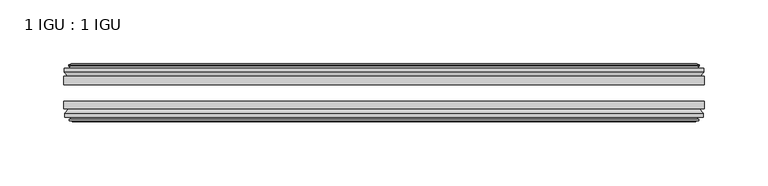
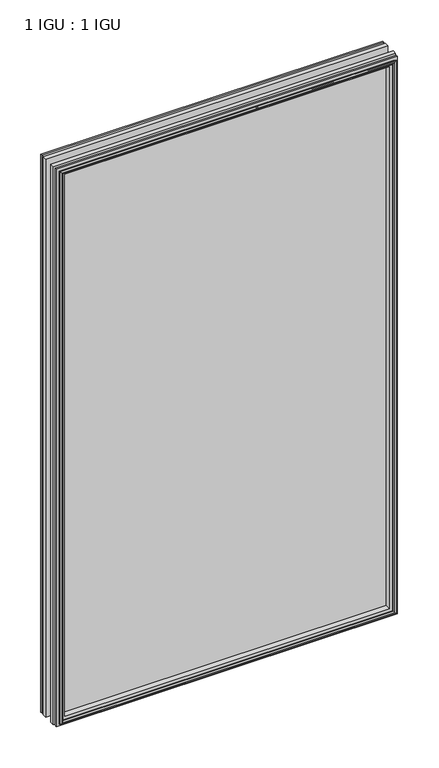
"""IFC4 building model written with IfcOpenShell, lengths in millimetres: plate geometry, 1 IGU : 1 IGU."""

import ifcopenshell
import ifcopenshell.guid

model = None  # the IFC model being written
_history = None  # IfcOwnerHistory: only IFC2X3 demands one
_inside = {}  # id of a spatial element -> (the spatial element, [elements in it])
_under = {}  # id of a project, library or spatial element -> (it, [spatial elements below it])
_declared = {}  # id of a project -> (the project, [libraries it declares])
_typed = {}  # id of a type object -> (the type object, [elements of that type])
_made_of = {}  # id of a material, layer set ... -> (it, [elements and type objects made of it])


def new_model(schema):
    """Start an empty IFC model of exactly this schema.

    Asked for "IFC4X3", IfcOpenShell would pick the latest addendum, in which some entities
    have other attributes; the version numbers below select the first issue.
    IFC2X3 requires an IfcOwnerHistory on every rooted entity: one is made here for all.
    """
    global model, _history
    if schema == "IFC4X3":
        model = ifcopenshell.file(schema_version=(4, 3, 0, 0))
    else:
        model = ifcopenshell.file(schema=schema)
    _inside.clear()
    _under.clear()
    _declared.clear()
    _typed.clear()
    _made_of.clear()
    _history = None
    if model.schema == "IFC2X3":
        org = make("IfcOrganization", Name="unknown")
        user = make(
            "IfcPersonAndOrganization",
            ThePerson=make("IfcPerson", FamilyName="unknown"),
            TheOrganization=org,
        )
        app = make(
            "IfcApplication",
            ApplicationDeveloper=org,
            Version="unknown",
            ApplicationFullName="unknown",
            ApplicationIdentifier="unknown",
        )
        _history = make(
            "IfcOwnerHistory",
            OwningUser=user,
            OwningApplication=app,
            ChangeAction="ADDED",
            CreationDate=0,
        )
    return model


def make(cls, **values):
    """One entity of the class cls with the attributes given. An attribute that is None is left unset."""
    return model.create_entity(
        cls, **{name: value for name, value in values.items() if value is not None}
    )


def rooted(cls, **values):
    """An entity with a GlobalId (a new one), such as an element, a storey or a relation."""
    return make(cls, GlobalId=ifcopenshell.guid.new(), OwnerHistory=_history, **values)


def si_unit(unit_type, name, prefix=None):
    """IfcSIUnit, for example si_unit("LENGTHUNIT", "METRE", prefix="MILLI")."""
    return make("IfcSIUnit", UnitType=unit_type, Prefix=prefix, Name=name)


def assignment(units):
    """IfcUnitAssignment: the units of a project."""
    return None if units is None else make("IfcUnitAssignment", Units=units)


def point(xyz):
    """IfcCartesianPoint."""
    return None if xyz is None else make("IfcCartesianPoint", Coordinates=xyz)


def direction(xyz):
    """IfcDirection."""
    return None if xyz is None else make("IfcDirection", DirectionRatios=xyz)


def frame(location, z_axis=None, x_axis=None):
    """IfcAxis2Placement3D, a coordinate frame: its origin and axes. An axis left out is left unset."""
    return make(
        "IfcAxis2Placement3D",
        Location=point(location),
        Axis=direction(z_axis),
        RefDirection=direction(x_axis),
    )


def origin():
    """The frame at (0, 0, 0) with its axes left unset."""
    return frame((0.0, 0.0, 0.0))


def place(relative_to, where):
    """IfcLocalPlacement: puts the frame where relative to a parent placement (None: the world)."""
    return make(
        "IfcLocalPlacement", PlacementRelTo=relative_to, RelativePlacement=where
    )


def context(
    kind, dimensions, precision=None, world=None, true_north=None, identifier=None
):
    """IfcGeometricRepresentationContext, for example the 3D "Model" context."""
    return make(
        "IfcGeometricRepresentationContext",
        ContextIdentifier=identifier,
        ContextType=kind,
        CoordinateSpaceDimension=dimensions,
        Precision=precision,
        WorldCoordinateSystem=world,
        TrueNorth=true_north,
    )


def project(units=None, contexts=None):
    """IfcProject with its units and contexts."""
    return rooted(
        "IfcProject",
        Name="project",
        RepresentationContexts=contexts,
        UnitsInContext=assignment(units),
    )


def spatial(cls, under=None, at=None, **own):
    """A site, building, storey or space (cls), placed at a placement, below another one or the project."""
    s = rooted(cls, ObjectPlacement=at, **own)
    if under is not None:
        _under.setdefault(under.id(), (under, []))[1].append(s)
    return s


def polyline(points):
    """IfcPolyline through the points."""
    return make("IfcPolyline", Points=[point(p) for p in points])


def outline(outer, holes=None, kind="AREA"):
    """IfcArbitraryClosedProfileDef: a profile drawn as a closed curve; with holes, ...WithVoids."""
    if holes is None:
        return make("IfcArbitraryClosedProfileDef", ProfileType=kind, OuterCurve=outer)
    return make(
        "IfcArbitraryProfileDefWithVoids",
        ProfileType=kind,
        OuterCurve=outer,
        InnerCurves=holes,
    )


def extrude(swept, where, along, depth):
    """IfcExtrudedAreaSolid: the profile swept, set in the frame where, extruded along a direction by depth."""
    return make(
        "IfcExtrudedAreaSolid",
        SweptArea=swept,
        Position=where,
        ExtrudedDirection=direction(along),
        Depth=depth,
    )


def faces_of(points, faces, orient=None, outer=None):
    """IfcFace entities. A face is a list of loops; a loop is a list of indices into points, from 0.

    orient and outer hold one flag for each loop. By default every Orientation is true, the
    first loop of a face is its IfcFaceOuterBound and the others are IfcFaceBound.
    """
    made = []
    for i, loops in enumerate(faces):
        bounds = []
        for j, loop in enumerate(loops):
            is_outer = j == 0 if outer is None else outer[i][j]
            bounds.append(
                make(
                    "IfcFaceOuterBound" if is_outer else "IfcFaceBound",
                    Bound=make("IfcPolyLoop", Polygon=[points[k] for k in loop]),
                    Orientation=True if orient is None else orient[i][j],
                )
            )
        made.append(make("IfcFace", Bounds=bounds))
    return made


def faceted_brep(points, faces, orient=None, outer=None, voids=None):
    """IfcFacetedBrep: a solid bounded by flat faces; with voids (closed shells), ...WithVoids."""
    shared = [point(p) for p in points]
    hull = make("IfcClosedShell", CfsFaces=faces_of(shared, faces, orient, outer))
    if voids is None:
        return make("IfcFacetedBrep", Outer=hull)
    return make(
        "IfcFacetedBrepWithVoids",
        Outer=hull,
        Voids=[
            make(cls, CfsFaces=faces_of(shared, fs, o, b)) for cls, fs, o, b in voids
        ],
    )


def shape(context_of_items, identifier, shape_type, items):
    """IfcShapeRepresentation: the items that make up one representation, for example the "Body"."""
    return make(
        "IfcShapeRepresentation",
        ContextOfItems=context_of_items,
        RepresentationIdentifier=identifier,
        RepresentationType=shape_type,
        Items=items,
    )


def source(mapping_origin, context_of_items, identifier, shape_type, items):
    """IfcRepresentationMap: a shape defined once, which mapped items show again and again."""
    return make(
        "IfcRepresentationMap",
        MappingOrigin=mapping_origin,
        MappedRepresentation=shape(context_of_items, identifier, shape_type, items),
    )


def transform(
    local_origin,
    x_axis=None,
    y_axis=None,
    z_axis=None,
    scale=None,
    scale2=None,
    scale3=None,
    uniform=True,
):
    """IfcCartesianTransformationOperator3D, or its non-uniform kind. x_axis, y_axis, z_axis: its Axis1, 2, 3."""
    if uniform:
        return make(
            "IfcCartesianTransformationOperator3D",
            Axis1=direction(x_axis),
            Axis2=direction(y_axis),
            LocalOrigin=point(local_origin),
            Scale=scale,
            Axis3=direction(z_axis),
        )
    return make(
        "IfcCartesianTransformationOperator3DnonUniform",
        Axis1=direction(x_axis),
        Axis2=direction(y_axis),
        LocalOrigin=point(local_origin),
        Scale=scale,
        Axis3=direction(z_axis),
        Scale2=scale2,
        Scale3=scale3,
    )


def mapped(mapping_source, mapping_target):
    """IfcMappedItem: shows the shape of a source again, moved by a transform."""
    return make(
        "IfcMappedItem", MappingSource=mapping_source, MappingTarget=mapping_target
    )


def made_of(thing, what):
    """Note that an element or type object is made of a material, layer set ...; save() writes the relation."""
    if what is not None:
        _made_of.setdefault(what.id(), (what, []))[1].append(thing)
    return thing


def element(
    cls,
    number,
    at=None,
    inside=None,
    cuts=None,
    type_object=None,
    material=None,
    context=None,
    identifier="Body",
    shape_type=None,
    held_by="IfcProductDefinitionShape",
    body=None,
    shapes=None,
    **own,
):
    """One element of the class cls, such as IfcWall. Its Tag is "e" and its number.

    at: its placement. inside: the storey or other place that contains it. cuts: it is an
    opening in that element (IfcRelVoidsElement). A single representation is given by context,
    identifier, shape_type and body (its items); several are given by shapes. held_by: the class
    of the entity that holds the representations. save() writes the other relations.
    """
    e = rooted(cls, Tag="e%d" % number, ObjectPlacement=at, **own)
    if body is not None:
        shapes = [shape(context, identifier, shape_type, body)]
    if shapes is not None:
        e.Representation = make(held_by, Representations=shapes)
    if inside is not None:
        _inside.setdefault(inside.id(), (inside, []))[1].append(e)
    if cuts is not None:
        rooted(
            "IfcRelVoidsElement", RelatingBuildingElement=cuts, RelatedOpeningElement=e
        )
    if type_object is not None:
        _typed.setdefault(type_object.id(), (type_object, []))[1].append(e)
    return made_of(e, material)


def aggregate(whole, parts):
    """IfcRelAggregates: a whole, such as a stair, and the parts it consists of."""
    return rooted("IfcRelAggregates", RelatingObject=whole, RelatedObjects=parts)


def save(model, path):
    """Write the relations noted so far, then the file.

    IfcRelAggregates (storeys below a building ...), IfcRelContainedInSpatialStructure (elements
    in a storey), IfcRelDefinesByType, IfcRelAssociatesMaterial and IfcRelDeclares: one each for
    every whole, place, type object, material and project.
    """
    for whole, parts in _under.values():
        aggregate(whole, parts)
    for where, things in _inside.values():
        rooted(
            "IfcRelContainedInSpatialStructure",
            RelatedElements=things,
            RelatingStructure=where,
        )
    for kind, things in _typed.values():
        rooted("IfcRelDefinesByType", RelatedObjects=things, RelatingType=kind)
    for what, things in _made_of.values():
        rooted("IfcRelAssociatesMaterial", RelatedObjects=things, RelatingMaterial=what)
    for by, libraries in _declared.values():
        rooted("IfcRelDeclares", RelatingContext=by, RelatedDefinitions=libraries)
    model.write(path)


def plate_1_igu_1_igu_49bc5b6f(model_context):
    return source(origin(), model_context, "Body", "SolidModel", [
        extrude(outline(polyline([(250.3393016, -25.8960937), (250.3393016, -32.2460938), (-250.3393016, -32.2460938), (-250.3393016, -25.8960937), (250.3393016, -25.8960937)])), frame((0.0, 0.0, -12.7), z_axis=(0.0, 0.0, 1.0), x_axis=(1.0, 0.0, 0.0)), (0.0, 0.0, 1.0), 863.6),
        extrude(outline(polyline([(-250.3393016, -51.2960938), (-250.3393016, -45.2686737), (250.3393016, -45.2686737), (250.3393016, -51.2960938), (-250.3393016, -51.2960938)])), frame((0.0, 0.0, -12.7), z_axis=(0.0, 0.0, 1.0), x_axis=(1.0, 0.0, 0.0)), (0.0, 0.0, 1.0), 863.6),
        faceted_brep([(-244.7513016, -60.0262907, 845.312), (-245.1323016, -57.6460937, 845.693), (-245.1323016, -57.6460937, -7.493), (-244.7513016, -60.0262907, -7.112), (-246.1668306, -59.5663575, 846.727529), (-246.1668306, -59.5663575, -8.5275291), (-246.1668306, -60.3675717, 846.727529), (-246.1668306, -60.3675717, -8.5275291), (-243.9893016, -61.0750937, 844.55), (-243.9893016, -61.0750937, -6.35), (-241.8117725, -60.3675717, 842.3724709), (-241.8117725, -60.3675717, -4.1724709), (-241.8117725, -59.5663575, 842.3724709), (-241.8117725, -59.5663575, -4.1724709), (-243.2273016, -60.0262907, 843.788), (-243.2273016, -60.0262907, -5.588), (-242.8463016, -57.6460937, 843.407), (-242.8463016, -57.6460937, -5.207), (-235.9215835, -51.2960937, 836.4822819), (-237.6393016, -57.6460937, 838.2), (-237.6393016, -57.6460937, 0.0), (-235.9215835, -51.2960937, 1.7177181), (-249.5773016, -54.6996937, 850.138), (-246.7429594, -51.2960937, 847.3036578), (-246.7429594, -51.2960937, -9.1036578), (-249.5773016, -54.6996937, -11.938), (-249.5773016, -57.6460937, 850.138), (-249.5773016, -57.6460937, -11.938), (245.1323016, -57.6460938, -7.493), (244.7513016, -60.0262907, -7.112), (246.1668306, -59.5663575, -8.5275291), (246.1668306, -60.3675717, -8.5275291), (243.9893016, -61.0750937, -6.35), (241.8117725, -60.3675717, -4.1724709), (241.8117725, -59.5663575, -4.1724709), (243.2273016, -60.0262907, -5.588), (242.8463016, -57.6460937, -5.207), (237.6393016, -57.6460937, 0.0), (235.9215835, -51.2960937, 1.7177181), (246.7429594, -51.2960937, -9.1036578), (249.5773016, -54.6996937, -11.938), (249.5773016, -57.6460938, -11.938), (245.1323016, -57.6460938, 845.693), (244.7513016, -60.0262907, 845.312), (246.1668306, -59.5663575, 846.727529), (246.1668306, -60.3675717, 846.727529), (243.9893016, -61.0750937, 844.55), (241.8117725, -60.3675717, 842.3724709), (241.8117725, -59.5663575, 842.3724709), (243.2273016, -60.0262907, 843.788), (242.8463016, -57.6460937, 843.407), (237.6393016, -57.6460937, 838.2), (235.9215835, -51.2960937, 836.4822819), (246.7429594, -51.2960937, 847.3036578), (249.5773016, -54.6996937, 850.138), (249.5773016, -57.6460938, 850.138)], [[[0, 1, 2, 3]], [[4, 0, 3, 5]], [[6, 4, 5, 7]], [[8, 6, 7, 9]], [[10, 8, 9, 11]], [[12, 10, 11, 13]], [[14, 12, 13, 15]], [[16, 14, 15, 17]], [[18, 19, 20, 21]], [[22, 23, 24, 25]], [[26, 22, 25, 27]], [[3, 2, 28, 29]], [[5, 3, 29, 30]], [[7, 5, 30, 31]], [[9, 7, 31, 32]], [[11, 9, 32, 33]], [[13, 11, 33, 34]], [[15, 13, 34, 35]], [[17, 15, 35, 36]], [[21, 20, 37, 38]], [[25, 24, 39, 40]], [[27, 25, 40, 41]], [[29, 28, 42, 43]], [[30, 29, 43, 44]], [[31, 30, 44, 45]], [[32, 31, 45, 46]], [[33, 32, 46, 47]], [[34, 33, 47, 48]], [[35, 34, 48, 49]], [[36, 35, 49, 50]], [[38, 37, 51, 52]], [[40, 39, 53, 54]], [[41, 40, 54, 55]], [[27, 41, 55, 26], [1, 42, 28, 2]], [[43, 42, 1, 0]], [[44, 43, 0, 4]], [[45, 44, 4, 6]], [[46, 45, 6, 8]], [[47, 46, 8, 10]], [[48, 47, 10, 12]], [[49, 48, 12, 14]], [[50, 49, 14, 16]], [[17, 36, 50, 16], [19, 51, 37, 20]], [[52, 51, 19, 18]], [[23, 53, 39, 24], [21, 38, 52, 18]], [[54, 53, 23, 22]], [[55, 54, 22, 26]]]),
        faceted_brep([(-247.2636594, -25.8960937, 847.8243578), (-250.0980016, -22.4924937, 850.6587), (-250.0980016, -22.4924937, -12.4587), (-247.2636594, -25.8960937, -9.6243578), (-238.1600016, -19.5460937, 838.7207), (-236.4422835, -25.8960937, 837.0029819), (-236.4422835, -25.8960937, 1.1970181), (-238.1600016, -19.5460937, -0.5207), (-243.7480016, -17.1658968, 844.3087), (-243.3670016, -19.5460937, 843.9277), (-243.3670016, -19.5460937, -5.7277), (-243.7480016, -17.1658968, -6.1087), (-242.3324725, -17.62583, 842.8931709), (-242.3324725, -17.62583, -4.6931709), (-242.3324725, -16.8246158, 842.8931709), (-242.3324725, -16.8246158, -4.6931709), (-244.5100016, -16.1170937, 845.0707), (-244.5100016, -16.1170937, -6.8707), (-246.6875306, -16.8246158, 847.248229), (-246.6875306, -16.8246158, -9.0482291), (-246.6875306, -17.62583, 847.248229), (-246.6875306, -17.62583, -9.0482291), (-245.2720016, -17.1658968, 845.8327), (-245.2720016, -17.1658968, -7.6327), (-245.6530016, -19.5460937, 846.2137), (-245.6530016, -19.5460937, -8.0137), (-250.0980016, -19.5460937, 850.6587), (-250.0980016, -19.5460937, -12.4587), (250.0980016, -22.4924937, -12.4587), (247.2636594, -25.8960937, -9.6243578), (236.4422835, -25.8960937, 1.1970181), (238.1600016, -19.5460937, -0.5207), (243.3670016, -19.5460937, -5.7277), (243.7480016, -17.1658968, -6.1087), (242.3324725, -17.62583, -4.6931709), (242.3324725, -16.8246158, -4.6931709), (244.5100016, -16.1170937, -6.8707), (246.6875306, -16.8246158, -9.0482291), (246.6875306, -17.62583, -9.0482291), (245.2720016, -17.1658968, -7.6327), (245.6530016, -19.5460937, -8.0137), (250.0980016, -19.5460937, -12.4587), (250.0980016, -22.4924937, 850.6587), (247.2636594, -25.8960937, 847.8243578), (236.4422835, -25.8960937, 837.0029819), (238.1600016, -19.5460937, 838.7207), (243.3670016, -19.5460937, 843.9277), (243.7480016, -17.1658968, 844.3087), (242.3324725, -17.62583, 842.8931709), (242.3324725, -16.8246158, 842.8931709), (244.5100016, -16.1170937, 845.0707), (246.6875306, -16.8246158, 847.248229), (246.6875306, -17.62583, 847.248229), (245.2720016, -17.1658968, 845.8327), (245.6530016, -19.5460937, 846.2137), (250.0980016, -19.5460937, 850.6587)], [[[0, 1, 2, 3]], [[4, 5, 6, 7]], [[8, 9, 10, 11]], [[12, 8, 11, 13]], [[14, 12, 13, 15]], [[16, 14, 15, 17]], [[18, 16, 17, 19]], [[20, 18, 19, 21]], [[22, 20, 21, 23]], [[24, 22, 23, 25]], [[1, 26, 27, 2]], [[3, 2, 28, 29]], [[7, 6, 30, 31]], [[11, 10, 32, 33]], [[13, 11, 33, 34]], [[15, 13, 34, 35]], [[17, 15, 35, 36]], [[19, 17, 36, 37]], [[21, 19, 37, 38]], [[23, 21, 38, 39]], [[25, 23, 39, 40]], [[2, 27, 41, 28]], [[29, 28, 42, 43]], [[31, 30, 44, 45]], [[33, 32, 46, 47]], [[34, 33, 47, 48]], [[35, 34, 48, 49]], [[36, 35, 49, 50]], [[37, 36, 50, 51]], [[38, 37, 51, 52]], [[39, 38, 52, 53]], [[40, 39, 53, 54]], [[28, 41, 55, 42]], [[43, 42, 1, 0]], [[3, 29, 43, 0], [5, 44, 30, 6]], [[45, 44, 5, 4]], [[9, 46, 32, 10], [7, 31, 45, 4]], [[47, 46, 9, 8]], [[48, 47, 8, 12]], [[49, 48, 12, 14]], [[50, 49, 14, 16]], [[51, 50, 16, 18]], [[52, 51, 18, 20]], [[53, 52, 20, 22]], [[54, 53, 22, 24]], [[26, 55, 41, 27], [25, 40, 54, 24]], [[42, 55, 26, 1]]]),
    ])


if __name__ == "__main__":
    model = new_model("IFC4")
    model_context = context("Model", 3, world=origin())
    ifc_project = project(units=[si_unit("LENGTHUNIT", "METRE", prefix="MILLI")], contexts=[model_context])
    site = spatial("IfcSite", under=ifc_project)
    building = spatial("IfcBuilding", under=site)
    placement = place(None, origin())
    plate_1_igu_1_igu_shape = plate_1_igu_1_igu_49bc5b6f(model_context)
    element("IfcPlate", 1, ObjectType="1 IGU : 1 IGU", at=placement, inside=building, context=model_context, shape_type="MappedRepresentation", body=[
        mapped(plate_1_igu_1_igu_shape, transform((0.0, 0.0, 0.0), x_axis=(1.0, 0.0, 0.0), y_axis=(0.0, 1.0, 0.0), z_axis=(0.0, 0.0, 1.0))),
    ])
    save(model, "model.ifc")
